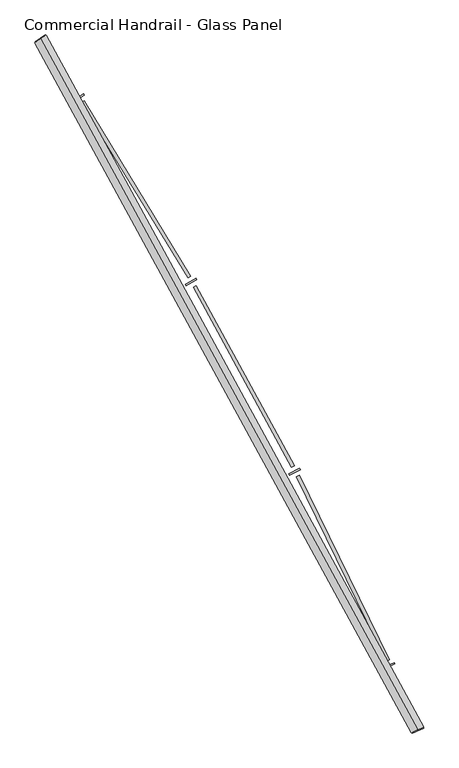
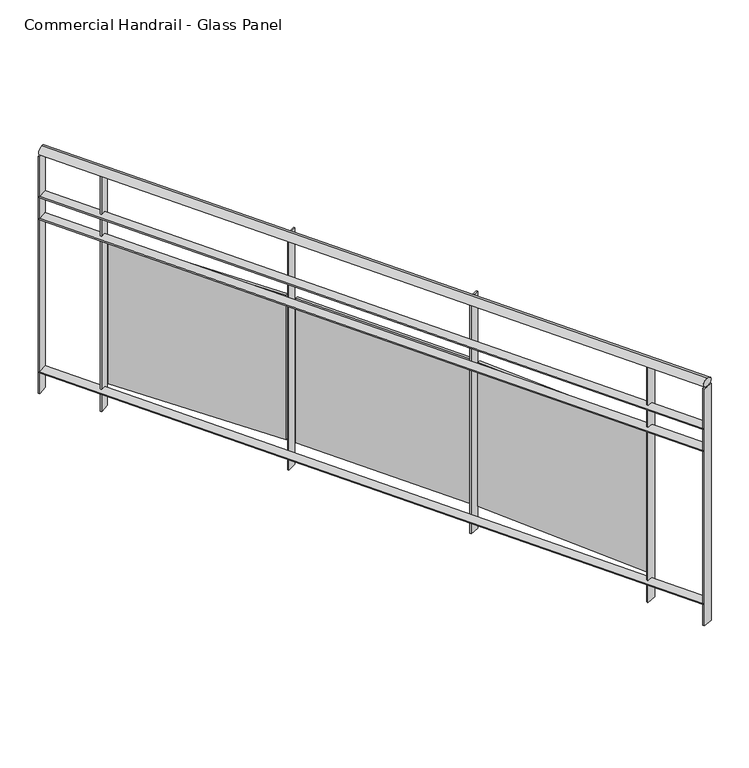
"""IFC4 building model written with IfcOpenShell, lengths in millimetres: railing geometry, Commercial Handrail - Glass Panel."""

from ifc_helpers import new_model, si_unit, point, frame, origin, place, context, project, spatial, polyline, circle_curve, ellipse_curve, trimmed, outline, extrude, source, transform, mapped, element, save
from ifc_brep_helpers import plane_surface, cylinder_surface, revolved_surface, advanced_brep


def commercial_handrail_glass_panel_3973570b(model_context):
    return source(origin(), model_context, "Body", "SolidModel", [
        advanced_brep(
        [(152681.2087099, -42805.7971709, 29882.5), (154079.9485011, -45365.2391742, 29882.5), (154079.9485011, -45365.2391742, 29917.5), (152681.2087099, -42805.7971709, 29917.5)],
        [
            (0, 1, circle_curve(frame((138512.5563245, -52210.9198633, 29882.5), z_axis=(0.0, 0.0, -1.0), x_axis=(0.9154011077709024, 0.40254293173747885, 0.0)), 17006.0884179)),
            (1, 2, ellipse_curve(frame((154079.9485011, -45365.2391742, 29900.0), z_axis=(-0.402542931737485, 0.9154011077709, 0.0), x_axis=(0.9154011077708998, 0.4025429317374849, 0.0)), 25.0, 17.5)),
            (2, 3, circle_curve(frame((138512.5563245, -52210.9198633, 29917.5), z_axis=(0.0, 0.0, 1.0), x_axis=(0.9154011077709024, 0.40254293173747885, 0.0)), 17006.0884179)),
            (3, 0, ellipse_curve(frame((152681.2087099, -42805.7971709, 29900.0), z_axis=(0.5530444427532956, -0.8331517534877406, 0.0), x_axis=(0.8331517534877404, 0.5530444427532955, 0.0)), 25.0, 17.5)),
            (2, 1, ellipse_curve(frame((154079.9485011, -45365.2391742, 29900.0), z_axis=(-0.402542931737485, 0.9154011077709, 0.0), x_axis=(0.9154011077708998, 0.4025429317374849, 0.0)), 25.0, 17.5)),
            (0, 3, ellipse_curve(frame((152681.2087099, -42805.7971709, 29900.0), z_axis=(0.5530444427532956, -0.8331517534877406, 0.0), x_axis=(0.8331517534877404, 0.5530444427532955, 0.0)), 25.0, 17.5)),
        ],
        [
            revolved_surface(trimmed(ellipse_curve(frame((154079.9485011, -45365.2391742, 29900.0), z_axis=(0.40254293173747885, -0.9154011077709024, 0.0), x_axis=(0.0, 0.0, -1.0)), 17.5, 25.0), [point((154079.9485011, -45365.2391742, 29917.5))], [point((154079.9485011, -45365.2391742, 29882.5))], True, "CARTESIAN"), (138512.5563245, -52210.9198633, 29900.0), (0.0, 0.0, 1.0)),
            revolved_surface(trimmed(ellipse_curve(frame((154079.9485011, -45365.2391742, 29900.0), z_axis=(0.40254293173747885, -0.9154011077709024, 0.0), x_axis=(0.0, 0.0, -1.0)), 17.5, 25.0), [point((154079.9485011, -45365.2391742, 29882.5))], [point((154079.9485011, -45365.2391742, 29917.5))], True, "CARTESIAN"), (138512.5563245, -52210.9198633, 29900.0), (0.0, 0.0, 1.0)),
            plane_surface(frame((154079.9485011, -45365.2391742, 29900.0), z_axis=(0.4025429317374789, -0.9154011077709026, 0.0), x_axis=(0.9154011077709026, 0.4025429317374789, 0.0))),
            plane_surface(frame((152681.2087099, -42805.7971709, 29900.0), z_axis=(-0.5530444427532946, 0.8331517534877412, 0.0), x_axis=(0.8331517534877412, 0.5530444427532946, 0.0))),
        ],
        [
            (0, [[1, 2, 3, 4]]),
            (1, [[-3, 5, -1, 6]]),
            (2, [[-2, -5]]),
            (3, [[-6, -4]]),
        ],
    ),
        advanced_brep(
        [(152662.4627954, -42818.2406708, 29700.0), (154059.3519762, -45374.2963902, 29700.0), (154100.545026, -45356.1819583, 29700.0), (152699.9546243, -42793.3536709, 29700.0), (152662.4627954, -42818.2406708, 29694.0), (154059.3519762, -45374.2963902, 29694.0), (152699.9546243, -42793.3536709, 29694.0), (154100.545026, -45356.1819583, 29694.0)],
        [
            (0, 1, circle_curve(frame((138512.5563245, -52210.9198633, 29700.0), z_axis=(0.0, 0.0, -1.0), x_axis=(0.9154011077709024, 0.40254293173747885, 0.0)), 16983.5884179)),
            (1, 2),
            (2, 3, circle_curve(frame((138512.5563245, -52210.9198633, 29700.0), z_axis=(0.0, 0.0, 1.0), x_axis=(0.9154011077709024, 0.40254293173747885, 0.0)), 17028.5884179)),
            (3, 0),
            (4, 5, circle_curve(frame((138512.5563245, -52210.9198633, 29694.0), z_axis=(0.0, 0.0, -1.0), x_axis=(0.9154011077709024, 0.40254293173747885, 0.0)), 16983.5884179)),
            (5, 1),
            (0, 4),
            (6, 7, circle_curve(frame((138512.5563245, -52210.9198633, 29694.0), z_axis=(0.0, 0.0, -1.0), x_axis=(0.9154011077709024, 0.40254293173747885, 0.0)), 17028.5884179)),
            (7, 5),
            (4, 6),
            (2, 7),
            (6, 3),
        ],
        [
            plane_surface(frame((138512.5563245, -52210.9198633, 29700.0), z_axis=(0.0, 0.0, 1.0000000000000002), x_axis=(0.9154011077709026, 0.4025429317374789, 0.0))),
            revolved_surface(polyline([(154059.35197617073, -45374.296390135845, 29700.0), (154059.35197617073, -45374.296390135845, 29694.0)]), (138512.5563245, -52210.9198633, 29700.0), (0.0, 0.0, 1.0)),
            plane_surface(frame((138512.5563245, -52210.9198633, 29694.0), z_axis=(0.0, 0.0, -1.0000000000000002), x_axis=(0.9154011077709026, 0.4025429317374789, 0.0))),
            cylinder_surface(frame((138512.5563245, -52210.9198633, 29700.0), z_axis=(0.0, 0.0, 1.0), x_axis=(0.9154011077709024, 0.40254293173747885, 0.0)), 17028.5884179),
            plane_surface(frame((154079.9485011, -45365.2391742, 29700.0), z_axis=(0.4025429317374789, -0.9154011077709026, 0.0), x_axis=(0.9154011077709026, 0.4025429317374789, 0.0))),
            plane_surface(frame((152681.2087099, -42805.7971709, 29700.0), z_axis=(-0.5530444427532946, 0.8331517534877412, 0.0), x_axis=(0.8331517534877412, 0.5530444427532946, 0.0))),
        ],
        [
            (0, [[1, 2, 3, 4]]),
            (1, [[5, 6, -1, 7]]),
            (2, [[8, 9, -5, 10]]),
            (3, [[-3, 11, -8, 12]]),
            (4, [[-2, -6, -9, -11]]),
            (5, [[-12, -10, -7, -4]]),
        ],
    ),
        advanced_brep(
        [(152662.4627954, -42818.2406708, 29600.0), (154059.3519762, -45374.2963902, 29600.0), (154100.545026, -45356.1819583, 29600.0), (152699.9546243, -42793.3536709, 29600.0), (152662.4627954, -42818.2406708, 29594.0), (154059.3519762, -45374.2963902, 29594.0), (152699.9546243, -42793.3536709, 29594.0), (154100.545026, -45356.1819583, 29594.0)],
        [
            (0, 1, circle_curve(frame((138512.5563245, -52210.9198633, 29600.0), z_axis=(0.0, 0.0, -1.0), x_axis=(0.9154011077709024, 0.40254293173747885, 0.0)), 16983.5884179)),
            (1, 2),
            (2, 3, circle_curve(frame((138512.5563245, -52210.9198633, 29600.0), z_axis=(0.0, 0.0, 1.0), x_axis=(0.9154011077709024, 0.40254293173747885, 0.0)), 17028.5884179)),
            (3, 0),
            (4, 5, circle_curve(frame((138512.5563245, -52210.9198633, 29594.0), z_axis=(0.0, 0.0, -1.0), x_axis=(0.9154011077709024, 0.40254293173747885, 0.0)), 16983.5884179)),
            (5, 1),
            (0, 4),
            (6, 7, circle_curve(frame((138512.5563245, -52210.9198633, 29594.0), z_axis=(0.0, 0.0, -1.0), x_axis=(0.9154011077709024, 0.40254293173747885, 0.0)), 17028.5884179)),
            (7, 5),
            (4, 6),
            (2, 7),
            (6, 3),
        ],
        [
            plane_surface(frame((138512.5563245, -52210.9198633, 29600.0), z_axis=(0.0, 0.0, 1.0000000000000002), x_axis=(0.9154011077709026, 0.4025429317374789, 0.0))),
            revolved_surface(polyline([(154059.35197617073, -45374.296390135845, 29600.0), (154059.35197617073, -45374.296390135845, 29594.0)]), (138512.5563245, -52210.9198633, 29600.0), (0.0, 0.0, 1.0)),
            plane_surface(frame((138512.5563245, -52210.9198633, 29594.0), z_axis=(0.0, 0.0, -1.0000000000000002), x_axis=(0.9154011077709026, 0.4025429317374789, 0.0))),
            cylinder_surface(frame((138512.5563245, -52210.9198633, 29600.0), z_axis=(0.0, 0.0, 1.0), x_axis=(0.9154011077709024, 0.40254293173747885, 0.0)), 17028.5884179),
            plane_surface(frame((154079.9485011, -45365.2391742, 29600.0), z_axis=(0.4025429317374789, -0.9154011077709026, 0.0), x_axis=(0.9154011077709026, 0.4025429317374789, 0.0))),
            plane_surface(frame((152681.2087099, -42805.7971709, 29600.0), z_axis=(-0.5530444427532946, 0.8331517534877412, 0.0), x_axis=(0.8331517534877412, 0.5530444427532946, 0.0))),
        ],
        [
            (0, [[1, 2, 3, 4]]),
            (1, [[5, 6, -1, 7]]),
            (2, [[8, 9, -5, 10]]),
            (3, [[-3, 11, -8, 12]]),
            (4, [[-2, -6, -9, -11]]),
            (5, [[-12, -10, -7, -4]]),
        ],
    ),
        advanced_brep(
        [(152662.4627954, -42818.2406708, 28900.0), (154059.3519762, -45374.2963902, 28900.0), (154100.545026, -45356.1819583, 28900.0), (152699.9546243, -42793.3536709, 28900.0), (152662.4627954, -42818.2406708, 28894.0), (154059.3519762, -45374.2963902, 28894.0), (152699.9546243, -42793.3536709, 28894.0), (154100.545026, -45356.1819583, 28894.0)],
        [
            (0, 1, circle_curve(frame((138512.5563245, -52210.9198633, 28900.0), z_axis=(0.0, 0.0, -1.0), x_axis=(0.9154011077709024, 0.40254293173747885, 0.0)), 16983.5884179)),
            (1, 2),
            (2, 3, circle_curve(frame((138512.5563245, -52210.9198633, 28900.0), z_axis=(0.0, 0.0, 1.0), x_axis=(0.9154011077709024, 0.40254293173747885, 0.0)), 17028.5884179)),
            (3, 0),
            (4, 5, circle_curve(frame((138512.5563245, -52210.9198633, 28894.0), z_axis=(0.0, 0.0, -1.0), x_axis=(0.9154011077709024, 0.40254293173747885, 0.0)), 16983.5884179)),
            (5, 1),
            (0, 4),
            (6, 7, circle_curve(frame((138512.5563245, -52210.9198633, 28894.0), z_axis=(0.0, 0.0, -1.0), x_axis=(0.9154011077709024, 0.40254293173747885, 0.0)), 17028.5884179)),
            (7, 5),
            (4, 6),
            (2, 7),
            (6, 3),
        ],
        [
            plane_surface(frame((138512.5563245, -52210.9198633, 28900.0), z_axis=(0.0, 0.0, 1.0000000000000002), x_axis=(0.9154011077709026, 0.4025429317374789, 0.0))),
            revolved_surface(polyline([(154059.35197617073, -45374.296390135845, 28900.0), (154059.35197617073, -45374.296390135845, 28894.0)]), (138512.5563245, -52210.9198633, 28900.0), (0.0, 0.0, 1.0)),
            plane_surface(frame((138512.5563245, -52210.9198633, 28894.0), z_axis=(0.0, 0.0, -1.0000000000000002), x_axis=(0.9154011077709026, 0.4025429317374789, 0.0))),
            cylinder_surface(frame((138512.5563245, -52210.9198633, 28900.0), z_axis=(0.0, 0.0, 1.0), x_axis=(0.9154011077709024, 0.40254293173747885, 0.0)), 17028.5884179),
            plane_surface(frame((154079.9485011, -45365.2391742, 28900.0), z_axis=(0.4025429317374789, -0.9154011077709026, 0.0), x_axis=(0.9154011077709026, 0.4025429317374789, 0.0))),
            plane_surface(frame((152681.2087099, -42805.7971709, 28900.0), z_axis=(-0.5530444427532946, 0.8331517534877412, 0.0), x_axis=(0.8331517534877412, 0.5530444427532946, 0.0))),
        ],
        [
            (0, [[1, 2, 3, 4]]),
            (1, [[5, 6, -1, 7]]),
            (2, [[8, 9, -5, 10]]),
            (3, [[-3, 11, -8, 12]]),
            (4, [[-2, -6, -9, -11]]),
            (5, [[-12, -10, -7, -4]]),
        ],
    ),
        extrude(outline(polyline([(152843.9746071, -43014.0028518), (152806.1064717, -43038.3134324), (152802.865061, -43033.2643477), (152840.7331963, -43008.9537671), (152843.9746071, -43014.0028518)])), frame((0.0, 0.0, 28800.0), z_axis=(0.0, 0.0, 1.0), x_axis=(1.0, 0.0, 0.0)), (0.0, 0.0, 1.0), 1082.1192282),
        extrude(outline(polyline([(153228.1233935, -43690.3863087), (152832.6997466, -43041.3561558), (152842.9475911, -43035.1126245), (153238.371238, -43684.1427775), (153228.1233935, -43690.3863087)])), frame((0.0, 0.0, 28920.0), z_axis=(0.0, 0.0, 1.0), x_axis=(1.0, 0.0, 0.0)), (0.0, 0.0, 1.0), 660.0),
        extrude(outline(polyline([(153260.6017897, -43698.1067288), (153221.6323507, -43720.6096803), (153218.6319572, -43715.4137551), (153257.6013961, -43692.9108036), (153260.6017897, -43698.1067288)])), frame((0.0, 0.0, 28800.0), z_axis=(0.0, 0.0, 1.0), x_axis=(1.0, 0.0, 0.0)), (0.0, 0.0, 1.0), 1082.1192282),
        extrude(outline(polyline([(153612.5189238, -44391.8063767), (153248.0531233, -43724.8995764), (153258.5832307, -43719.1448533), (153623.0490312, -44386.0516536), (153612.5189238, -44391.8063767)])), frame((0.0, 0.0, 28920.0), z_axis=(0.0, 0.0, 1.0), x_axis=(1.0, 0.0, 0.0)), (0.0, 0.0, 1.0), 660.0),
        extrude(outline(polyline([(153644.5983402, -44401.0455404), (153604.6138191, -44421.6910742), (153601.8610812, -44416.3598047), (153641.8456024, -44395.7142709), (153644.5983402, -44401.0455404)])), frame((0.0, 0.0, 28800.0), z_axis=(0.0, 0.0, 1.0), x_axis=(1.0, 0.0, 0.0)), (0.0, 0.0, 1.0), 1082.1192282),
        extrude(outline(polyline([(153963.5051916, -45110.5265416), (153630.8036324, -44427.2186516), (153641.5927043, -44421.9654691), (153974.2942635, -45105.273359), (153963.5051916, -45110.5265416)])), frame((0.0, 0.0, 28920.0), z_axis=(0.0, 0.0, 1.0), x_axis=(1.0, 0.0, 0.0)), (0.0, 0.0, 1.0), 660.0),
        extrude(outline(polyline([(153995.1146513, -45121.2640068), (153954.2035152, -45140.0064439), (153951.7045236, -45134.5516257), (153992.6156597, -45115.8091887), (153995.1146513, -45121.2640068)])), frame((0.0, 0.0, 28800.0), z_axis=(0.0, 0.0, 1.0), x_axis=(1.0, 0.0, 0.0)), (0.0, 0.0, 1.0), 1082.1192282),
        extrude(outline(polyline([(152701.6137576, -42795.8531262), (152664.1219287, -42820.7401261), (152660.8036621, -42815.7412156), (152698.295491, -42790.8542156), (152701.6137576, -42795.8531262)])), frame((0.0, 0.0, 28800.0), z_axis=(0.0, 0.0, 1.0), x_axis=(1.0, 0.0, 0.0)), (0.0, 0.0, 1.0), 1082.1192282),
        extrude(outline(polyline([(154101.7526548, -45358.9281616), (154060.559605, -45377.0425935), (154058.1443474, -45371.5501869), (154099.3373972, -45353.4357549), (154101.7526548, -45358.9281616)])), frame((0.0, 0.0, 28800.0), z_axis=(0.0, 0.0, 1.0), x_axis=(1.0, 0.0, 0.0)), (0.0, 0.0, 1.0), 1082.1192282),
    ])


if __name__ == "__main__":
    model = new_model("IFC4")
    model_context = context("Model", 3, world=origin())
    ifc_project = project(units=[si_unit("LENGTHUNIT", "METRE", prefix="MILLI")], contexts=[model_context])
    site = spatial("IfcSite", under=ifc_project)
    building = spatial("IfcBuilding", under=site)
    placement = place(None, origin())
    commercial_handrail_glass_panel_shape = commercial_handrail_glass_panel_3973570b(model_context)
    element("IfcRailing", 1, ObjectType="Commercial Handrail - Glass Panel", at=placement, inside=building, context=model_context, shape_type="MappedRepresentation", body=[
        mapped(commercial_handrail_glass_panel_shape, transform((0.0, 0.0, 0.0), x_axis=(1.0, 0.0, 0.0), y_axis=(0.0, 1.0, 0.0), z_axis=(0.0, 0.0, 1.0))),
    ])
    save(model, "model.ifc")
